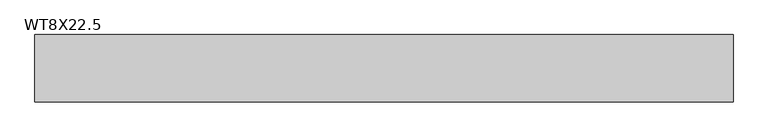
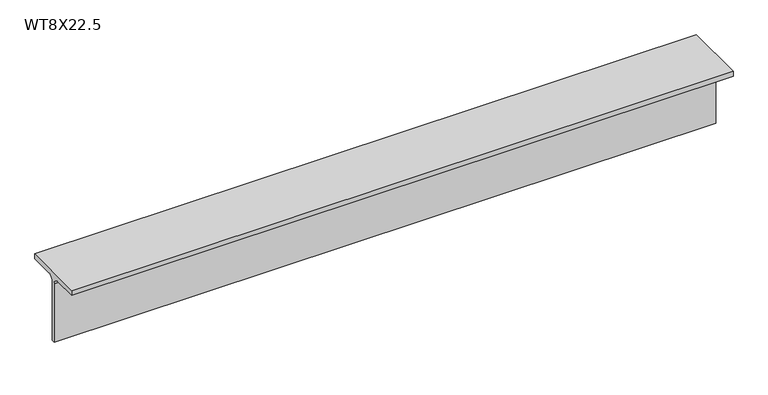
"""IFC4 building model written with IfcOpenShell, lengths in millimetres: beam geometry, WT8X22.5."""

from ifc_helpers import new_model, si_unit, point, frame, frame_2d, origin, place, context, project, spatial, polyline, circle_curve, trimmed, segment, composite_curve, outline, extrude, source, transform, mapped, element, save


def wt8x22_5_94b2fae1(model_context):
    return source(origin(), model_context, "Body", "SweptSolid", [
        extrude(outline(composite_curve([segment(polyline([(-89.408, 102.489), (89.408, 102.489), (89.408, 88.138), (21.7805, 88.138)]), True, "CONTINUOUS"), segment(trimmed(circle_curve(frame_2d((21.7805, 70.739)), 17.399), [point((21.7805, 88.138))], [point((4.3815, 70.739))], True, "CARTESIAN"), True, "CONTINUOUS"), segment(polyline([(4.3815, 70.739), (4.3815, -102.489), (-4.3815, -102.489), (-4.3815, 70.739)]), True, "CONTINUOUS"), segment(trimmed(circle_curve(frame_2d((-21.7805, 70.739)), 17.399), [point((-4.3815, 70.739))], [point((-21.7805, 88.138))], True, "CARTESIAN"), True, "CONTINUOUS"), segment(polyline([(-21.7805, 88.138), (-89.408, 88.138), (-89.408, 102.489)]), True, "CONTINUOUS")], self_intersect=False)), frame((-926.3217282, 0.0, 0.0), z_axis=(1.0, 0.0, 0.0), x_axis=(0.0, 1.0, 0.0)), (0.0, 0.0, 1.0), 1854.0276329),
    ])


if __name__ == "__main__":
    model = new_model("IFC4")
    model_context = context("Model", 3, world=origin())
    ifc_project = project(units=[si_unit("LENGTHUNIT", "METRE", prefix="MILLI")], contexts=[model_context])
    site = spatial("IfcSite", under=ifc_project)
    building = spatial("IfcBuilding", under=site)
    placement = place(None, origin())
    wt8x22_5_shape = wt8x22_5_94b2fae1(model_context)
    element("IfcBeam", 1, ObjectType="WT8X22.5", at=placement, inside=building, context=model_context, shape_type="MappedRepresentation", body=[
        mapped(wt8x22_5_shape, transform((0.0, 0.0, 0.0), x_axis=(1.0, 0.0, 0.0), y_axis=(0.0, 1.0, 0.0), z_axis=(0.0, 0.0, 1.0))),
    ])
    save(model, "model.ifc")
